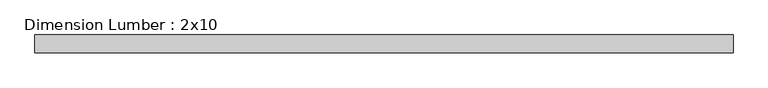
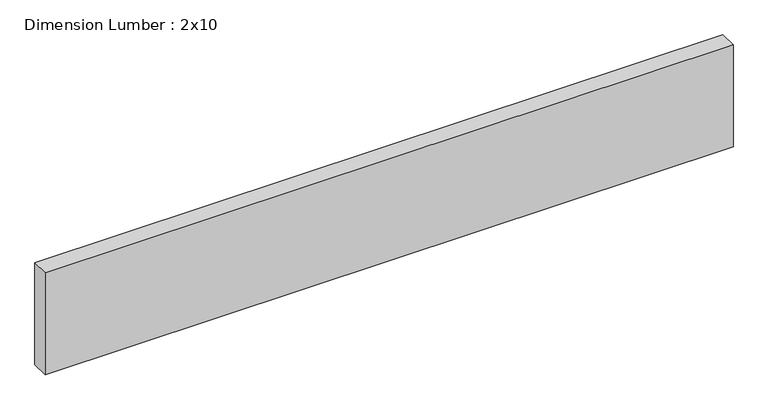
"""IFC4 building model written with IfcOpenShell, lengths in millimetres: beam geometry, Dimension Lumber : 2x10."""

from ifc_helpers import new_model, si_unit, frame, origin, place, context, project, spatial, polyline, outline, extrude, source, transform, mapped, element, save


def dimension_lumber_2x10_86cb33c6(model_context):
    return source(origin(), model_context, "Body", "SweptSolid", [
        extrude(outline(polyline([(749.959152, 19.05), (749.959152, -19.05), (-749.959152, -19.05), (-749.959152, 19.05), (749.959152, 19.05)])), frame((0.0, 0.0, -117.475), z_axis=(0.0, 0.0, 1.0), x_axis=(1.0, 0.0, 0.0)), (0.0, 0.0, 1.0), 234.95),
    ])


if __name__ == "__main__":
    model = new_model("IFC4")
    model_context = context("Model", 3, world=origin())
    ifc_project = project(units=[si_unit("LENGTHUNIT", "METRE", prefix="MILLI")], contexts=[model_context])
    site = spatial("IfcSite", under=ifc_project)
    building = spatial("IfcBuilding", under=site)
    placement = place(None, origin())
    dimension_lumber_2x10_shape = dimension_lumber_2x10_86cb33c6(model_context)
    element("IfcBeam", 1, ObjectType="Dimension Lumber : 2x10", at=placement, inside=building, context=model_context, shape_type="MappedRepresentation", body=[
        mapped(dimension_lumber_2x10_shape, transform((0.0, 0.0, 0.0), x_axis=(1.0, 0.0, 0.0), y_axis=(0.0, 1.0, 0.0), z_axis=(0.0, 0.0, 1.0))),
    ])
    save(model, "model.ifc")
